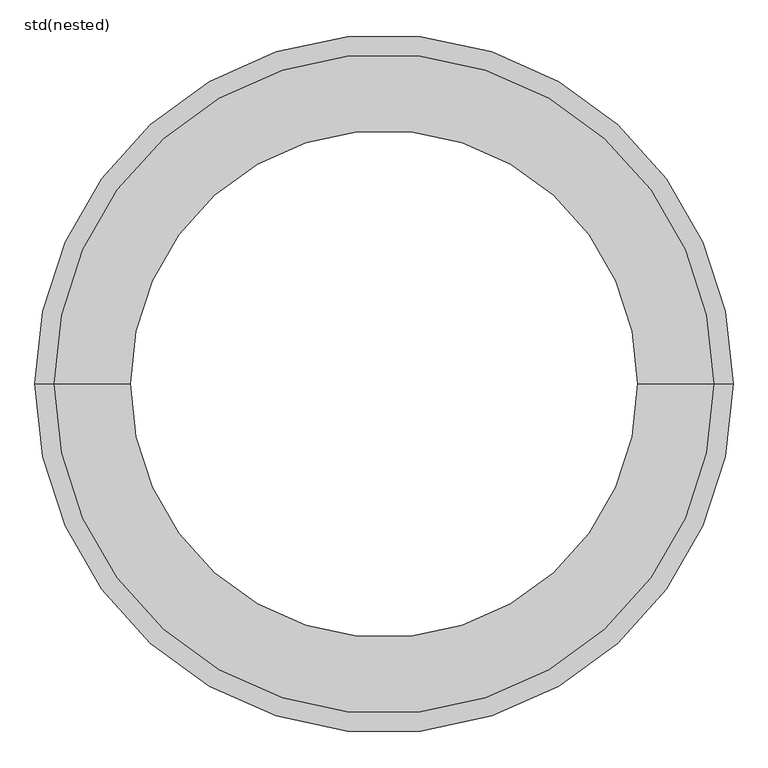
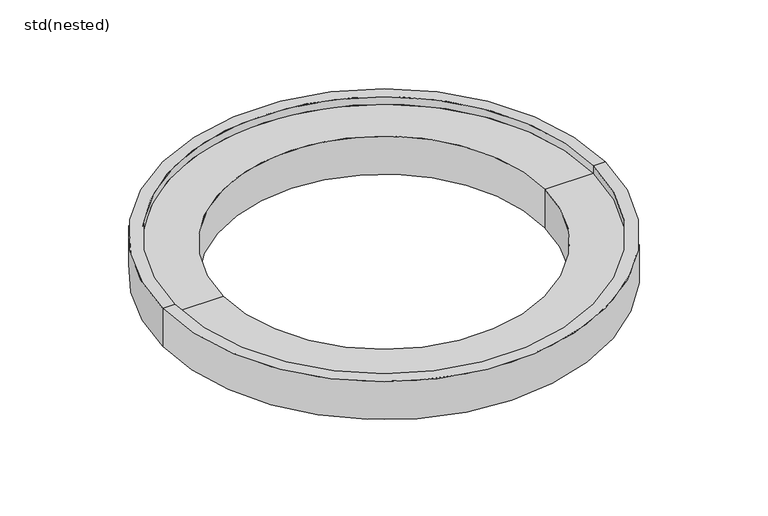
"""IFC4 building model written with IfcOpenShell, lengths in millimetres: unitary equipment geometry, std(nested)."""

from ifc_helpers import new_model, si_unit, frame, origin, place, context, project, spatial, polyline, circle_curve, source, transform, mapped, element, save
from ifc_brep_helpers import plane_surface, cylinder_surface, revolved_surface, advanced_brep


def std_nested_244129ec(model_context):
    return source(origin(), model_context, "Body", "AdvancedBrep", [
        advanced_brep(
        [(520.0, 0.0, -100.0), (-520.0, 0.0, -100.0), (-550.0, 0.0, -100.0), (550.0, 0.0, -100.0), (520.0, 0.0, -120.0), (-520.0, 0.0, -120.0), (400.0, 0.0, -120.0), (-400.0, 0.0, -120.0), (400.0, 0.0, -20.0), (-400.0, 0.0, -20.0), (520.0, 0.0, -20.0), (-520.0, 0.0, -20.0), (520.0, 0.0, 0.0), (-520.0, 0.0, 0.0), (550.0, 0.0, 0.0), (-550.0, 0.0, 0.0)],
        [
            (0, 1, circle_curve(frame((0.0, 0.0, -100.0), z_axis=(0.0, 0.0, 1.0), x_axis=(-1.0, 0.0, 0.0)), 520.0)),
            (1, 2),
            (2, 3, circle_curve(frame((0.0, 0.0, -100.0), z_axis=(0.0, 0.0, -1.0), x_axis=(-1.0, 0.0, 0.0)), 550.0)),
            (3, 0),
            (1, 0, circle_curve(frame((0.0, 0.0, -100.0), z_axis=(0.0, 0.0, 1.0), x_axis=(-1.0, 0.0, 0.0)), 520.0)),
            (3, 2, circle_curve(frame((0.0, 0.0, -100.0), z_axis=(0.0, 0.0, -1.0), x_axis=(-1.0, 0.0, 0.0)), 550.0)),
            (4, 5, circle_curve(frame((0.0, 0.0, -120.0), z_axis=(0.0, 0.0, 1.0), x_axis=(-1.0, 0.0, 0.0)), 520.0)),
            (5, 1),
            (0, 4),
            (5, 4, circle_curve(frame((0.0, 0.0, -120.0), z_axis=(0.0, 0.0, 1.0), x_axis=(-1.0, 0.0, 0.0)), 520.0)),
            (6, 7, circle_curve(frame((0.0, 0.0, -120.0), z_axis=(0.0, 0.0, 1.0), x_axis=(-1.0, 0.0, 0.0)), 400.0)),
            (7, 5),
            (4, 6),
            (7, 6, circle_curve(frame((0.0, 0.0, -120.0), z_axis=(0.0, 0.0, 1.0), x_axis=(-1.0, 0.0, 0.0)), 400.0)),
            (8, 9, circle_curve(frame((0.0, 0.0, -20.0), z_axis=(0.0, 0.0, 1.0), x_axis=(-1.0, 0.0, 0.0)), 400.0)),
            (9, 7),
            (6, 8),
            (9, 8, circle_curve(frame((0.0, 0.0, -20.0), z_axis=(0.0, 0.0, 1.0), x_axis=(-1.0, 0.0, 0.0)), 400.0)),
            (10, 11, circle_curve(frame((0.0, 0.0, -20.0), z_axis=(0.0, 0.0, 1.0), x_axis=(-1.0, 0.0, 0.0)), 520.0)),
            (11, 9),
            (8, 10),
            (11, 10, circle_curve(frame((0.0, 0.0, -20.0), z_axis=(0.0, 0.0, 1.0), x_axis=(-1.0, 0.0, 0.0)), 520.0)),
            (12, 13, circle_curve(frame((0.0, 0.0, 0.0), z_axis=(0.0, 0.0, 1.0), x_axis=(-1.0, 0.0, 0.0)), 520.0)),
            (13, 11),
            (10, 12),
            (13, 12, circle_curve(frame((0.0, 0.0, 0.0), z_axis=(0.0, 0.0, 1.0), x_axis=(-1.0, 0.0, 0.0)), 520.0)),
            (14, 15, circle_curve(frame((0.0, 0.0, 0.0), z_axis=(0.0, 0.0, 1.0), x_axis=(-1.0, 0.0, 0.0)), 550.0)),
            (15, 13),
            (12, 14),
            (15, 14, circle_curve(frame((0.0, 0.0, 0.0), z_axis=(0.0, 0.0, 1.0), x_axis=(-1.0, 0.0, 0.0)), 550.0)),
            (2, 15),
            (14, 3),
        ],
        [
            plane_surface(frame((0.0, 0.0, -100.0), z_axis=(0.0, 0.0, -1.0), x_axis=(-1.0, 0.0, 0.0))),
            cylinder_surface(frame((0.0, 0.0, 0.0), z_axis=(0.0, 0.0, -1.0), x_axis=(-1.0, 0.0, 0.0)), 520.0),
            plane_surface(frame((0.0, 0.0, -120.0), z_axis=(0.0, 0.0, -1.0), x_axis=(-1.0, 0.0, 0.0))),
            revolved_surface(polyline([(-400.0, 0.0, -120.0), (-400.0, 0.0, -20.0)]), (0.0, 0.0, 0.0), (0.0, 0.0, -1.0)),
            plane_surface(frame((0.0, 0.0, -20.0), z_axis=(0.0, 0.0, 1.0), x_axis=(-1.0, 0.0, 0.0))),
            revolved_surface(polyline([(-520.0, 0.0, -20.0), (-520.0, 0.0, 0.0)]), (0.0, 0.0, 0.0), (0.0, 0.0, -1.0)),
            plane_surface(frame((0.0, 0.0, 0.0), z_axis=(0.0, 0.0, 1.0), x_axis=(-1.0, 0.0, 0.0))),
            cylinder_surface(frame((0.0, 0.0, 0.0), z_axis=(0.0, 0.0, -1.0), x_axis=(-1.0, 0.0, 0.0)), 550.0),
        ],
        [
            (0, [[1, 2, 3, 4]]),
            (0, [[5, -4, 6, -2]]),
            (1, [[7, 8, -1, 9]]),
            (1, [[10, -9, -5, -8]]),
            (2, [[11, 12, -7, 13]]),
            (2, [[14, -13, -10, -12]]),
            (3, [[15, 16, -11, 17]]),
            (3, [[18, -17, -14, -16]]),
            (4, [[19, 20, -15, 21]]),
            (4, [[22, -21, -18, -20]]),
            (5, [[23, 24, -19, 25]]),
            (5, [[26, -25, -22, -24]]),
            (6, [[27, 28, -23, 29]]),
            (6, [[30, -29, -26, -28]]),
            (7, [[-3, 31, -27, 32]]),
            (7, [[-6, -32, -30, -31]]),
        ],
    ),
    ])


if __name__ == "__main__":
    model = new_model("IFC4")
    model_context = context("Model", 3, world=origin())
    ifc_project = project(units=[si_unit("LENGTHUNIT", "METRE", prefix="MILLI")], contexts=[model_context])
    site = spatial("IfcSite", under=ifc_project)
    building = spatial("IfcBuilding", under=site)
    placement = place(None, origin())
    std_nested_shape = std_nested_244129ec(model_context)
    element("IfcUnitaryEquipment", 1, ObjectType="std(nested)", at=placement, inside=building, context=model_context, shape_type="MappedRepresentation", body=[
        mapped(std_nested_shape, transform((0.0, 0.0, 0.0), x_axis=(1.0, 0.0, 0.0), y_axis=(0.0, 1.0, 0.0), z_axis=(0.0, 0.0, 1.0))),
    ])
    save(model, "model.ifc")
